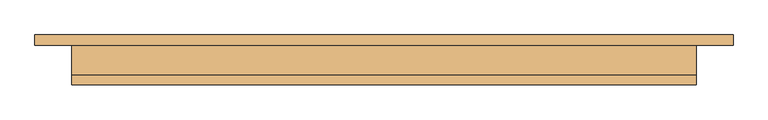
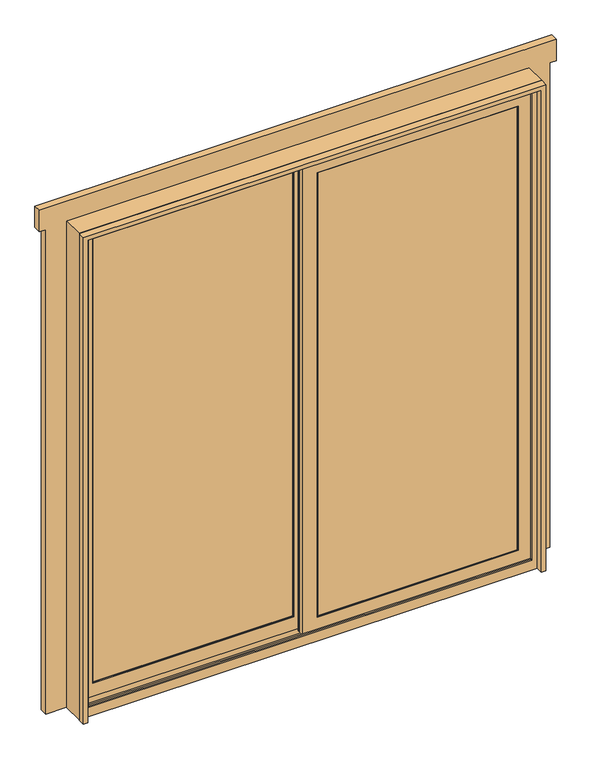
"""IFC4 building model written with IfcOpenShell, lengths in millimetres: door geometry."""

from ifc_helpers import new_model, si_unit, frame, origin, place, context, project, spatial, polyline, outline, extrude, faceted_brep, source, transform, mapped, element, save


def door_a4062340(model_context):
    return source(origin(), model_context, "Body", "SolidModel", [
        faceted_brep([(-1014.4125, 74.7625, 2011.3625), (-1014.4125, 44.6, 2011.3625), (-1014.4125, 44.6, 2100.2625), (-1014.4125, 74.7625, 2100.2625), (1014.4125, 74.7625, 2011.3625), (1014.4125, 74.7625, 2100.2625), (1014.4125, 44.6, 2100.2625), (1014.4125, 44.6, 2011.3625), (-989.0125, 74.7625, 2011.3625), (-989.0125, 44.6, 2011.3625), (989.0125, 44.6, 2011.3625), (989.0125, 74.7625, 2011.3625), (-900.1125, 74.7625, 2011.3625), (900.1125, 74.7625, 2011.3625), (900.1125, 72.38125, 2011.3625), (908.05, 72.38125, 2011.3625), (908.05, 44.6, 2011.3625), (-908.05, 44.6, 2011.3625), (-908.05, 72.38125, 2011.3625), (-900.1125, 72.38125, 2011.3625), (-989.0125, 44.6, 0.0), (-908.05, 44.6, 0.0), (908.05, 44.6, 0.0), (989.0125, 44.6, 0.0), (989.0125, 74.7625, 0.0), (900.1125, 74.7625, 0.0), (-900.1125, 74.7625, 0.0), (-989.0125, 74.7625, 0.0), (-900.1125, 72.38125, 0.0), (-908.05, 72.38125, 0.0), (900.1125, 72.38125, 0.0), (908.05, 72.38125, 0.0)], [[[0, 1, 2, 3]], [[4, 5, 6, 7]], [[1, 0, 8, 9]], [[4, 7, 10, 11]], [[12, 13, 14, 15, 16, 17, 18, 19]], [[2, 1, 9, 20, 21, 17, 16, 22, 23, 10, 7, 6]], [[5, 3, 2, 6]], [[0, 3, 5, 4, 11, 24, 25, 13, 12, 26, 27, 8]], [[20, 27, 26, 28, 29, 21]], [[27, 20, 9, 8]], [[28, 26, 12, 19]], [[29, 28, 19, 18]], [[14, 30, 31, 15]], [[21, 29, 18, 17]], [[25, 24, 23, 22, 31, 30]], [[23, 24, 11, 10]], [[13, 25, 30, 14]], [[31, 22, 16, 15]]]),
        extrude(outline(polyline([(-827.88125, 31.9), (-29.36875, 31.9), (-29.36875, 27.1375), (-827.88125, 27.1375), (-827.88125, 31.9)])), frame((0.0, 0.0, 818.03875), z_axis=(0.0, 0.0, 1.0), x_axis=(1.0, 0.0, 0.0)), (0.0, 0.0, 1.0), 19.05),
        extrude(outline(polyline([(-827.88125, 31.9), (-29.36875, 31.9), (-29.36875, 27.1375), (-827.88125, 27.1375), (-827.88125, 31.9)])), frame((0.0, 0.0, 1188.56125), z_axis=(0.0, 0.0, 1.0), x_axis=(1.0, 0.0, 0.0)), (0.0, 0.0, 1.0), 19.05),
        extrude(outline(polyline([(-571.2354167, 31.9), (-552.1854167, 31.9), (-552.1854167, 27.1375), (-571.2354167, 27.1375), (-571.2354167, 31.9)])), frame((0.0, 0.0, 86.51875), z_axis=(0.0, 0.0, 1.0), x_axis=(1.0, 0.0, 0.0)), (0.0, 0.0, 1.0), 1852.6125),
        extrude(outline(polyline([(-827.88125, 31.9), (-29.36875, 31.9), (-29.36875, 27.1375), (-827.88125, 27.1375), (-827.88125, 31.9)])), frame((0.0, 0.0, 447.51625), z_axis=(0.0, 0.0, 1.0), x_axis=(1.0, 0.0, 0.0)), (0.0, 0.0, 1.0), 19.05),
        extrude(outline(polyline([(-827.88125, 31.9), (-29.36875, 31.9), (-29.36875, 27.1375), (-827.88125, 27.1375), (-827.88125, 31.9)])), frame((0.0, 0.0, 1559.08375), z_axis=(0.0, 0.0, 1.0), x_axis=(1.0, 0.0, 0.0)), (0.0, 0.0, 1.0), 19.05),
        extrude(outline(polyline([(-305.0645833, 31.9), (-286.0145833, 31.9), (-286.0145833, 27.1375), (-305.0645833, 27.1375), (-305.0645833, 31.9)])), frame((0.0, 0.0, 86.51875), z_axis=(0.0, 0.0, 1.0), x_axis=(1.0, 0.0, 0.0)), (0.0, 0.0, 1.0), 1852.6125),
        extrude(outline(polyline([(827.88125, -10.9625), (827.88125, -15.725), (29.36875, -15.725), (29.36875, -10.9625), (827.88125, -10.9625)])), frame((0.0, 0.0, 818.03875), z_axis=(0.0, 0.0, 1.0), x_axis=(1.0, 0.0, 0.0)), (0.0, 0.0, 1.0), 19.05),
        extrude(outline(polyline([(827.88125, -10.9625), (827.88125, -15.725), (29.36875, -15.725), (29.36875, -10.9625), (827.88125, -10.9625)])), frame((0.0, 0.0, 1188.56125), z_axis=(0.0, 0.0, 1.0), x_axis=(1.0, 0.0, 0.0)), (0.0, 0.0, 1.0), 19.05),
        extrude(outline(polyline([(571.2354167, -10.9625), (571.2354167, -15.725), (552.1854167, -15.725), (552.1854167, -10.9625), (571.2354167, -10.9625)])), frame((0.0, 0.0, 86.51875), z_axis=(0.0, 0.0, 1.0), x_axis=(1.0, 0.0, 0.0)), (0.0, 0.0, 1.0), 1852.6125),
        extrude(outline(polyline([(827.88125, -10.9625), (827.88125, -15.725), (29.36875, -15.725), (29.36875, -10.9625), (827.88125, -10.9625)])), frame((0.0, 0.0, 447.51625), z_axis=(0.0, 0.0, 1.0), x_axis=(1.0, 0.0, 0.0)), (0.0, 0.0, 1.0), 19.05),
        extrude(outline(polyline([(827.88125, -10.9625), (827.88125, -15.725), (29.36875, -15.725), (29.36875, -10.9625), (827.88125, -10.9625)])), frame((0.0, 0.0, 1559.08375), z_axis=(0.0, 0.0, 1.0), x_axis=(1.0, 0.0, 0.0)), (0.0, 0.0, 1.0), 19.05),
        extrude(outline(polyline([(305.0645833, -10.9625), (305.0645833, -15.725), (286.0145833, -15.725), (286.0145833, -10.9625), (305.0645833, -10.9625)])), frame((0.0, 0.0, 86.51875), z_axis=(0.0, 0.0, 1.0), x_axis=(1.0, 0.0, 0.0)), (0.0, 0.0, 1.0), 1852.6125),
        extrude(outline(polyline([(-827.88125, 27.1375), (-29.36875, 27.1375), (-29.36875, 22.375), (-827.88125, 22.375), (-827.88125, 27.1375)])), frame((0.0, 0.0, 818.03875), z_axis=(0.0, 0.0, 1.0), x_axis=(1.0, 0.0, 0.0)), (0.0, 0.0, 1.0), 19.05),
        extrude(outline(polyline([(-827.88125, 27.1375), (-29.36875, 27.1375), (-29.36875, 22.375), (-827.88125, 22.375), (-827.88125, 27.1375)])), frame((0.0, 0.0, 1188.56125), z_axis=(0.0, 0.0, 1.0), x_axis=(1.0, 0.0, 0.0)), (0.0, 0.0, 1.0), 19.05),
        extrude(outline(polyline([(-571.2354167, 27.1375), (-552.1854167, 27.1375), (-552.1854167, 22.375), (-571.2354167, 22.375), (-571.2354167, 27.1375)])), frame((0.0, 0.0, 86.51875), z_axis=(0.0, 0.0, 1.0), x_axis=(1.0, 0.0, 0.0)), (0.0, 0.0, 1.0), 1852.6125),
        extrude(outline(polyline([(-827.88125, 27.1375), (-29.36875, 27.1375), (-29.36875, 22.375), (-827.88125, 22.375), (-827.88125, 27.1375)])), frame((0.0, 0.0, 447.51625), z_axis=(0.0, 0.0, 1.0), x_axis=(1.0, 0.0, 0.0)), (0.0, 0.0, 1.0), 19.05),
        extrude(outline(polyline([(-827.88125, 27.1375), (-29.36875, 27.1375), (-29.36875, 22.375), (-827.88125, 22.375), (-827.88125, 27.1375)])), frame((0.0, 0.0, 1559.08375), z_axis=(0.0, 0.0, 1.0), x_axis=(1.0, 0.0, 0.0)), (0.0, 0.0, 1.0), 19.05),
        extrude(outline(polyline([(-305.0645833, 27.1375), (-286.0145833, 27.1375), (-286.0145833, 22.375), (-305.0645833, 22.375), (-305.0645833, 27.1375)])), frame((0.0, 0.0, 86.51875), z_axis=(0.0, 0.0, 1.0), x_axis=(1.0, 0.0, 0.0)), (0.0, 0.0, 1.0), 1852.6125),
        extrude(outline(polyline([(827.88125, -15.725), (827.88125, -20.4875), (29.36875, -20.4875), (29.36875, -15.725), (827.88125, -15.725)])), frame((0.0, 0.0, 818.03875), z_axis=(0.0, 0.0, 1.0), x_axis=(1.0, 0.0, 0.0)), (0.0, 0.0, 1.0), 19.05),
        extrude(outline(polyline([(827.88125, -15.725), (827.88125, -20.4875), (29.36875, -20.4875), (29.36875, -15.725), (827.88125, -15.725)])), frame((0.0, 0.0, 1188.56125), z_axis=(0.0, 0.0, 1.0), x_axis=(1.0, 0.0, 0.0)), (0.0, 0.0, 1.0), 19.05),
        extrude(outline(polyline([(571.2354167, -15.725), (571.2354167, -20.4875), (552.1854167, -20.4875), (552.1854167, -15.725), (571.2354167, -15.725)])), frame((0.0, 0.0, 86.51875), z_axis=(0.0, 0.0, 1.0), x_axis=(1.0, 0.0, 0.0)), (0.0, 0.0, 1.0), 1852.6125),
        extrude(outline(polyline([(827.88125, -15.725), (827.88125, -20.4875), (29.36875, -20.4875), (29.36875, -15.725), (827.88125, -15.725)])), frame((0.0, 0.0, 447.51625), z_axis=(0.0, 0.0, 1.0), x_axis=(1.0, 0.0, 0.0)), (0.0, 0.0, 1.0), 19.05),
        extrude(outline(polyline([(827.88125, -15.725), (827.88125, -20.4875), (29.36875, -20.4875), (29.36875, -15.725), (827.88125, -15.725)])), frame((0.0, 0.0, 1559.08375), z_axis=(0.0, 0.0, 1.0), x_axis=(1.0, 0.0, 0.0)), (0.0, 0.0, 1.0), 19.05),
        extrude(outline(polyline([(305.0645833, -15.725), (305.0645833, -20.4875), (286.0145833, -20.4875), (286.0145833, -15.725), (305.0645833, -15.725)])), frame((0.0, 0.0, 86.51875), z_axis=(0.0, 0.0, 1.0), x_axis=(1.0, 0.0, 0.0)), (0.0, 0.0, 1.0), 1852.6125),
        extrude(outline(polyline([(12.85, 34.13125), (44.6, 34.13125), (44.6, 5.3356164), (12.85, 6.4443509), (12.85, 34.13125)])), frame((-879.475, 0.0, 0.0), z_axis=(1.0, 0.0, 0.0), x_axis=(0.0, 1.0, 0.0)), (0.0, 0.0, 1.0), 901.7),
        faceted_brep([(-908.05, -41.125, 0.0), (-908.05, 44.6, 0.0), (-884.2375, 44.6, 0.0), (-884.2375, 12.85, 0.0), (-869.95, 12.85, 0.0), (-869.95, 4.9125, 0.0), (-901.7, 4.9125, 0.0), (-901.7, -30.0125, 0.0), (-873.4926013, -30.0125, 0.0), (-871.3719731, -32.235, 0.0), (871.3719731, -32.235, 0.0), (873.4926013, -30.0125, 0.0), (901.7, -30.0125, 0.0), (901.7, 4.9125, 0.0), (869.95, 4.9125, 0.0), (869.95, 12.85, 0.0), (884.2375, 12.85, 0.0), (884.2375, 44.6, 0.0), (908.05, 44.6, 0.0), (908.05, -41.125, 0.0), (-871.3719731, -32.235, 42.06875), (871.3719731, -32.235, 42.06875), (-869.95, -33.7252825, 42.06875), (-869.95, -38.74375, 42.06875), (869.95, -38.74375, 42.06875), (869.95, -33.7252825, 42.06875), (-869.95, -41.125, 39.6875), (869.95, -41.125, 39.6875), (908.05, -41.125, 2019.3), (-908.05, -41.125, 2019.3), (-869.95, -41.125, 1981.2), (869.95, -41.125, 1981.2), (-908.05, 44.6, 2019.3), (908.05, 44.6, 2019.3), (884.2375, 44.6, 1995.4875), (-884.2375, 44.6, 1995.4875), (-884.2375, 12.85, 1995.4875), (884.2375, 12.85, 1995.4875), (869.95, 12.85, 1981.2), (-869.95, 12.85, 1981.2), (-869.95, 4.9125, 1981.2), (869.95, 4.9125, 1981.2), (901.7, 4.9125, 2012.95), (-901.7, 4.9125, 2012.95), (-901.7, -30.0125, 2012.95), (901.7, -30.0125, 2012.95), (873.4926013, -30.0125, 1984.7426013), (-873.4926013, -30.0125, 1984.7426013), (-869.95, -33.7252825, 1981.2), (869.95, -33.7252825, 1981.2)], [[[0, 1, 2, 3, 4, 5, 6, 7, 8, 9, 10, 11, 12, 13, 14, 15, 16, 17, 18, 19]], [[10, 9, 20, 21]], [[21, 20, 22, 23, 24, 25]], [[24, 23, 26, 27]], [[0, 19, 28, 29], [27, 26, 30, 31]], [[1, 0, 29, 32]], [[2, 1, 32, 33, 18, 17, 34, 35]], [[3, 2, 35, 36]], [[4, 3, 36, 37, 16, 15, 38, 39]], [[5, 4, 39, 40]], [[6, 5, 40, 41, 14, 13, 42, 43]], [[7, 6, 43, 44]], [[8, 7, 44, 45, 12, 11, 46, 47]], [[8, 47, 48, 22, 20, 9]], [[48, 30, 26, 23, 22]], [[32, 29, 28, 33]], [[35, 34, 37, 36]], [[39, 38, 41, 40]], [[43, 42, 45, 44]], [[47, 46, 49, 48]], [[30, 48, 49, 31]], [[18, 33, 28, 19]], [[34, 17, 16, 37]], [[38, 15, 14, 41]], [[42, 13, 12, 45]], [[46, 11, 10, 21, 25, 49]], [[31, 49, 25, 24, 27]]]),
        extrude(outline(polyline([(-19.84375, 17.6125), (-837.40625, 17.6125), (-837.40625, 20.7875), (-19.84375, 20.7875), (-19.84375, 17.6125)])), frame((0.0, 0.0, 76.2), z_axis=(0.0, 0.0, 1.0), x_axis=(1.0, 0.0, 0.0)), (0.0, 0.0, 1.0), 1873.25),
        faceted_brep([(22.225, 36.6625, 34.13125), (22.225, 12.85, 34.13125), (-879.475, 12.85, 34.13125), (-879.475, 36.6625, 34.13125), (-16.66875, 17.6125, 73.025), (-16.66875, 36.6625, 73.025), (-840.58125, 36.6625, 73.025), (-840.58125, 17.6125, 73.025), (-35.71875, 14.4375, 92.075), (-35.71875, 17.6125, 92.075), (-821.53125, 17.6125, 92.075), (-821.53125, 14.4375, 92.075), (-34.13125, 12.85, 90.4875), (-823.11875, 12.85, 90.4875), (-879.475, 12.85, 1991.51875), (-879.475, 36.6625, 1991.51875), (-840.58125, 36.6625, 1952.625), (-840.58125, 17.6125, 1952.625), (-821.53125, 17.6125, 1933.575), (-821.53125, 14.4375, 1933.575), (-823.11875, 12.85, 1935.1625), (22.225, 12.85, 1991.51875), (22.225, 36.6625, 1991.51875), (-16.66875, 36.6625, 1952.625), (-16.66875, 17.6125, 1952.625), (-35.71875, 17.6125, 1933.575), (-35.71875, 14.4375, 1933.575), (-34.13125, 12.85, 1935.1625)], [[[0, 1, 2, 3]], [[4, 5, 6, 7]], [[8, 9, 10, 11]], [[12, 8, 11, 13]], [[3, 2, 14, 15]], [[7, 6, 16, 17]], [[11, 10, 18, 19]], [[13, 11, 19, 20]], [[15, 14, 21, 22]], [[17, 16, 23, 24]], [[19, 18, 25, 26]], [[20, 19, 26, 27]], [[22, 21, 1, 0]], [[3, 15, 22, 0], [5, 23, 16, 6]], [[24, 23, 5, 4]], [[7, 17, 24, 4], [9, 25, 18, 10]], [[26, 25, 9, 8]], [[27, 26, 8, 12]], [[1, 21, 14, 2], [13, 20, 27, 12]]]),
        faceted_brep([(22.225, 36.6625, 1991.51875), (22.225, 44.6, 1991.51875), (-879.475, 44.6, 1991.51875), (-879.475, 36.6625, 1991.51875), (-32.7981533, 44.6, 1936.4955967), (-34.925, 36.6625, 1934.36875), (-822.325, 36.6625, 1934.36875), (-824.4518467, 44.6, 1936.4955967), (-879.475, 44.6, 34.13125), (-879.475, 36.6625, 34.13125), (-822.325, 36.6625, 91.28125), (-824.4518467, 44.6, 89.1544033), (22.225, 44.6, 34.13125), (22.225, 36.6625, 34.13125), (-34.925, 36.6625, 91.28125), (-32.7981533, 44.6, 89.1544033)], [[[0, 1, 2, 3]], [[4, 5, 6, 7]], [[3, 2, 8, 9]], [[7, 6, 10, 11]], [[9, 8, 12, 13]], [[11, 10, 14, 15]], [[1, 12, 8, 2], [7, 11, 15, 4]], [[13, 12, 1, 0]], [[3, 9, 13, 0], [5, 14, 10, 6]], [[15, 14, 5, 4]]]),
        extrude(outline(polyline([(837.40625, -25.25), (19.84375, -25.25), (19.84375, -22.075), (837.40625, -22.075), (837.40625, -25.25)])), frame((0.0, 0.0, 76.2), z_axis=(0.0, 0.0, 1.0), x_axis=(1.0, 0.0, 0.0)), (0.0, 0.0, 1.0), 1873.25),
        extrude(outline(polyline([(-32.235, 0.0), (-32.235, 31.9786), (-12.3976, 31.9786), (-12.3976, 9.6134099), (12.85, 8.7317443), (12.85, 6.4443509), (72.38125, 4.3654738), (72.38125, 0.0), (-32.235, 0.0)])), frame((-889.0, 0.0, 0.0), z_axis=(1.0, 0.0, 0.0), x_axis=(0.0, 1.0, 0.0)), (0.0, 0.0, 1.0), 1778.0),
        faceted_brep([(-908.05, 44.6, 0.0), (-908.05, 72.38125, 0.0), (-889.0, 72.38125, 0.0), (-889.0, 47.775, 0.0), (-869.95, 47.775, 0.0), (-869.95, 44.6, 0.0), (-908.05, 44.6, 2019.3), (-908.05, 72.38125, 2019.3), (908.05, 72.38125, 2019.3), (908.05, 72.38125, 0.0), (889.0, 72.38125, 0.0), (889.0, 72.38125, 2000.25), (-889.0, 72.38125, 2000.25), (-889.0, 47.775, 2000.25), (889.0, 47.775, 2000.25), (889.0, 47.775, 0.0), (869.95, 47.775, 0.0), (869.95, 47.775, 1981.2), (-869.95, 47.775, 1981.2), (-869.95, 44.6, 1981.2), (869.95, 44.6, 1981.2), (869.95, 44.6, 0.0), (908.05, 44.6, 0.0), (908.05, 44.6, 2019.3)], [[[0, 1, 2, 3, 4, 5]], [[1, 0, 6, 7]], [[2, 1, 7, 8, 9, 10, 11, 12]], [[3, 2, 12, 13]], [[4, 3, 13, 14, 15, 16, 17, 18]], [[5, 4, 18, 19]], [[0, 5, 19, 20, 21, 22, 23, 6]], [[7, 6, 23, 8]], [[13, 12, 11, 14]], [[19, 18, 17, 20]], [[22, 21, 16, 15, 10, 9]], [[8, 23, 22, 9]], [[14, 11, 10, 15]], [[20, 17, 16, 21]]]),
        faceted_brep([(35.71875, -28.425, 92.075), (34.13125, -30.0125, 90.4875), (823.11875, -30.0125, 90.4875), (821.53125, -28.425, 92.075), (35.71875, -25.25, 92.075), (821.53125, -25.25, 92.075), (16.66875, -6.2, 73.025), (16.66875, -25.25, 73.025), (840.58125, -25.25, 73.025), (840.58125, -6.2, 73.025), (-22.225, -30.0125, 34.13125), (-22.225, -6.2, 34.13125), (879.475, -6.2, 34.13125), (879.475, -30.0125, 34.13125), (823.11875, -30.0125, 1935.1625), (821.53125, -28.425, 1933.575), (821.53125, -25.25, 1933.575), (840.58125, -25.25, 1952.625), (840.58125, -6.2, 1952.625), (879.475, -6.2, 1991.51875), (879.475, -30.0125, 1991.51875), (34.13125, -30.0125, 1935.1625), (35.71875, -28.425, 1933.575), (35.71875, -25.25, 1933.575), (16.66875, -25.25, 1952.625), (16.66875, -6.2, 1952.625), (-22.225, -6.2, 1991.51875), (-22.225, -30.0125, 1991.51875)], [[[0, 1, 2, 3]], [[4, 0, 3, 5]], [[6, 7, 8, 9]], [[10, 11, 12, 13]], [[3, 2, 14, 15]], [[5, 3, 15, 16]], [[9, 8, 17, 18]], [[13, 12, 19, 20]], [[15, 14, 21, 22]], [[16, 15, 22, 23]], [[18, 17, 24, 25]], [[20, 19, 26, 27]], [[13, 20, 27, 10], [1, 21, 14, 2]], [[22, 21, 1, 0]], [[23, 22, 0, 4]], [[7, 24, 17, 8], [5, 16, 23, 4]], [[25, 24, 7, 6]], [[11, 26, 19, 12], [9, 18, 25, 6]], [[27, 26, 11, 10]]]),
        faceted_brep([(34.925, -6.2, 1934.36875), (32.7981533, 1.7375, 1936.4955967), (824.4518467, 1.7375, 1936.4955967), (822.325, -6.2, 1934.36875), (-22.225, 1.7375, 1991.51875), (-22.225, -6.2, 1991.51875), (879.475, -6.2, 1991.51875), (879.475, 1.7375, 1991.51875), (824.4518467, 1.7375, 89.1544033), (822.325, -6.2, 91.28125), (879.475, -6.2, 34.13125), (879.475, 1.7375, 34.13125), (32.7981533, 1.7375, 89.1544033), (34.925, -6.2, 91.28125), (-22.225, -6.2, 34.13125), (-22.225, 1.7375, 34.13125)], [[[0, 1, 2, 3]], [[4, 5, 6, 7]], [[3, 2, 8, 9]], [[7, 6, 10, 11]], [[9, 8, 12, 13]], [[11, 10, 14, 15]], [[13, 12, 1, 0]], [[5, 14, 10, 6], [3, 9, 13, 0]], [[15, 14, 5, 4]], [[7, 11, 15, 4], [1, 12, 8, 2]]]),
        extrude(outline(polyline([(2019.3, -908.05), (0.0, -908.05), (0.0, -890.5875), (2001.8375, -890.5875), (2001.8375, 890.5875), (0.0, 890.5875), (0.0, 908.05), (2019.3, 908.05), (2019.3, -908.05)])), frame((0.0, -70.0, 0.0), z_axis=(0.0, 1.0, 0.0), x_axis=(0.0, 0.0, 1.0)), (0.0, 0.0, 1.0), 28.08125),
        extrude(outline(polyline([(-19.84375, 33.4875), (-837.40625, 33.4875), (-837.40625, 36.6625), (-19.84375, 36.6625), (-19.84375, 33.4875)])), frame((0.0, 0.0, 76.2), z_axis=(0.0, 0.0, 1.0), x_axis=(1.0, 0.0, 0.0)), (0.0, 0.0, 1.0), 1873.25),
        extrude(outline(polyline([(837.40625, -9.375), (19.84375, -9.375), (19.84375, -6.2), (837.40625, -6.2), (837.40625, -9.375)])), frame((0.0, 0.0, 76.2), z_axis=(0.0, 0.0, 1.0), x_axis=(1.0, 0.0, 0.0)), (0.0, 0.0, 1.0), 1873.25),
    ])


if __name__ == "__main__":
    model = new_model("IFC4")
    model_context = context("Model", 3, world=origin())
    ifc_project = project(units=[si_unit("LENGTHUNIT", "METRE", prefix="MILLI")], contexts=[model_context])
    site = spatial("IfcSite", under=ifc_project)
    building = spatial("IfcBuilding", under=site)
    placement = place(None, origin())
    door_shape = door_a4062340(model_context)
    element("IfcDoor", 1, at=placement, inside=building, context=model_context, shape_type="MappedRepresentation", body=[
        mapped(door_shape, transform((0.0, 0.0, 0.0), x_axis=(1.0, 0.0, 0.0), y_axis=(0.0, 1.0, 0.0), z_axis=(0.0, 0.0, 1.0))),
    ])
    save(model, "model.ifc")
